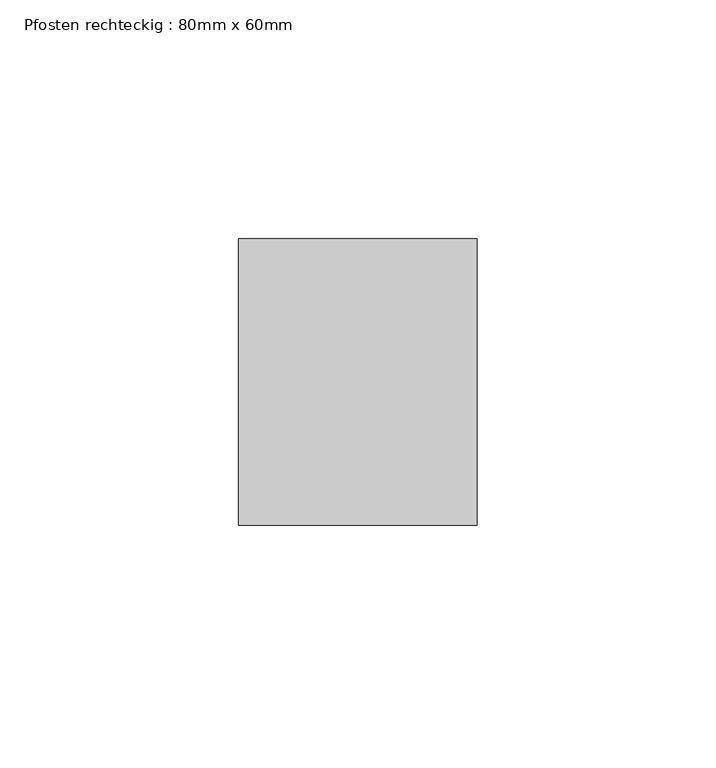
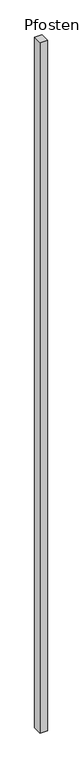
"""IFC4 building model written with IfcOpenShell, lengths in millimetres: member geometry, Pfosten rechteckig : 80mm x 60mm."""

from ifc_helpers import new_model, si_unit, frame, origin, place, context, project, spatial, polyline, outline, extrude, source, transform, mapped, element, save


def pfosten_rechteckig_80mm_x_60mm_dbcbade0(model_context):
    return source(origin(), model_context, "Body", "SweptSolid", [
        extrude(outline(polyline([(0.0, 30.0), (0.0, -30.0), (-50.0, -30.0), (-50.0, 30.0), (0.0, 30.0)])), frame((0.0, 0.0, -4900.0), z_axis=(0.0, 0.0, 1.0), x_axis=(1.0, 0.0, 0.0)), (0.0, 0.0, 1.0), 4900.0),
    ])


if __name__ == "__main__":
    model = new_model("IFC4")
    model_context = context("Model", 3, world=origin())
    ifc_project = project(units=[si_unit("LENGTHUNIT", "METRE", prefix="MILLI")], contexts=[model_context])
    site = spatial("IfcSite", under=ifc_project)
    building = spatial("IfcBuilding", under=site)
    placement = place(None, origin())
    pfosten_rechteckig_80mm_x_60mm_shape = pfosten_rechteckig_80mm_x_60mm_dbcbade0(model_context)
    element("IfcMember", 1, ObjectType="Pfosten rechteckig : 80mm x 60mm", at=placement, inside=building, context=model_context, shape_type="MappedRepresentation", body=[
        mapped(pfosten_rechteckig_80mm_x_60mm_shape, transform((0.0, 0.0, 0.0), x_axis=(1.0, 0.0, 0.0), y_axis=(0.0, 1.0, 0.0), z_axis=(0.0, 0.0, 1.0))),
    ])
    save(model, "model.ifc")
